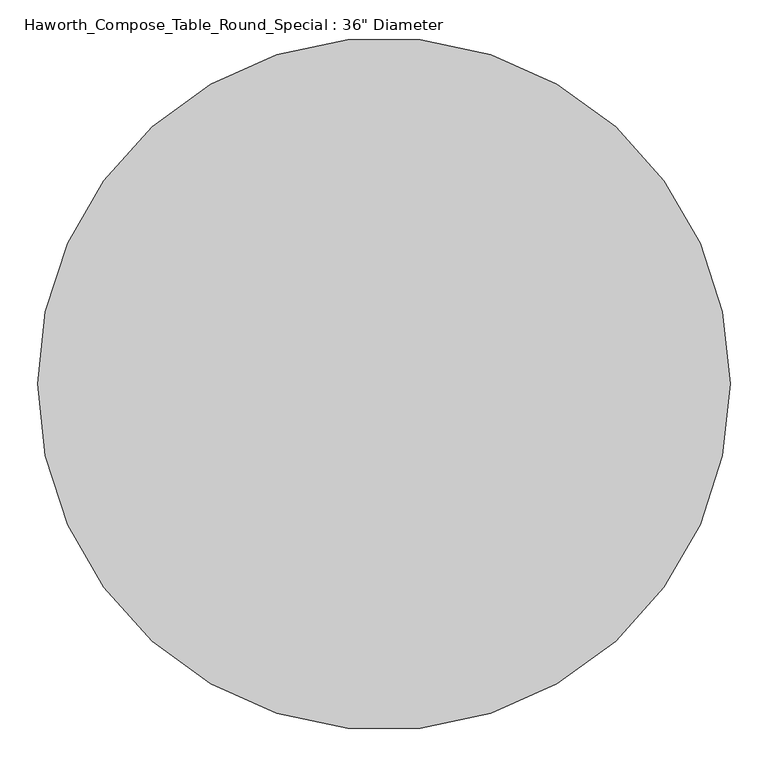
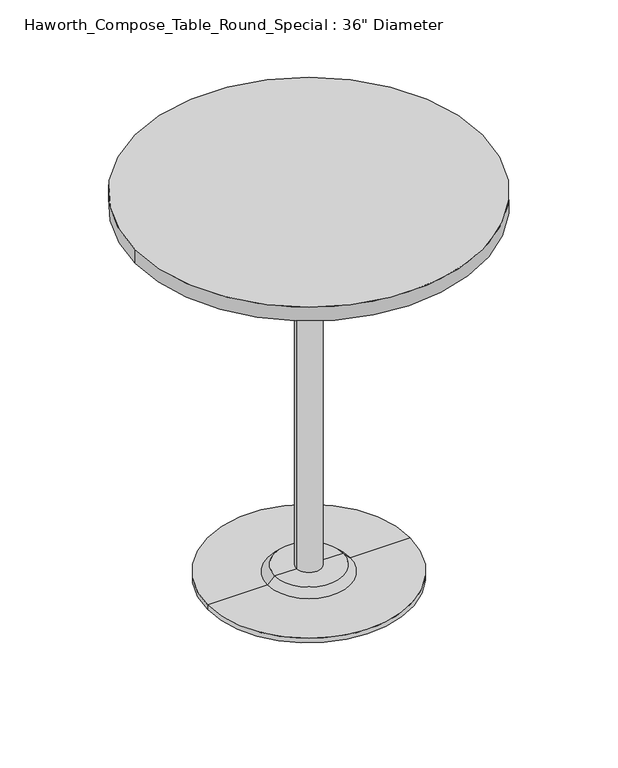
"""IFC4 building model written with IfcOpenShell, lengths in millimetres: furniture geometry."""

from ifc_helpers import new_model, si_unit, point, frame, frame_2d, origin, place, context, project, spatial, polyline, circle_curve, trimmed, segment, composite_curve, outline, extrude, source, transform, mapped, element, save
from ifc_brep_helpers import plane_surface, cylinder_surface, revolved_surface, advanced_brep


def furniture_54aee457(model_context):
    return source(origin(), model_context, "Body", "SolidModel", [
        advanced_brep(
        [(32.573978, 139.7, 1028.7), (-32.573978, 139.7, 1028.7), (0.0, 139.7, 1028.7), (32.573978, 139.7, 31.75), (-32.573978, 139.7, 31.75), (89.723978, 139.7, 31.75), (-89.723978, 139.7, 31.75), (266.7, 139.7, 0.0), (-266.7, 139.7, 0.0), (-266.7, 139.7, 12.7), (266.7, 139.7, 12.7), (0.0, 139.7, 0.0), (108.773978, 139.7, 12.7), (-108.773978, 139.7, 12.7)],
        [
            (0, 1, circle_curve(frame((0.0, 139.7, 1028.7), z_axis=(0.0, 0.0, 1.0), x_axis=(-1.0, 0.0, 0.0)), 32.573978)),
            (1, 2),
            (2, 0),
            (1, 0, circle_curve(frame((0.0, 139.7, 1028.7), z_axis=(0.0, 0.0, 1.0), x_axis=(-1.0, 0.0, 0.0)), 32.573978)),
            (3, 4, circle_curve(frame((0.0, 139.7, 31.75), z_axis=(0.0, 0.0, 1.0), x_axis=(-1.0, 0.0, 0.0)), 32.573978)),
            (4, 1),
            (0, 3),
            (4, 3, circle_curve(frame((0.0, 139.7, 31.75), z_axis=(0.0, 0.0, 1.0), x_axis=(-1.0, 0.0, 0.0)), 32.573978)),
            (5, 6, circle_curve(frame((0.0, 139.7, 31.75), z_axis=(0.0, 0.0, 1.0), x_axis=(-1.0, 0.0, 0.0)), 89.723978)),
            (6, 4),
            (3, 5),
            (6, 5, circle_curve(frame((0.0, 139.7, 31.75), z_axis=(0.0, 0.0, 1.0), x_axis=(-1.0, 0.0, 0.0)), 89.723978)),
            (7, 8, circle_curve(frame((0.0, 139.7, 0.0), z_axis=(0.0, 0.0, 1.0), x_axis=(-1.0, 0.0, 0.0)), 266.7)),
            (8, 9),
            (9, 10, circle_curve(frame((0.0, 139.7, 12.7), z_axis=(0.0, 0.0, -1.0), x_axis=(-1.0, 0.0, 0.0)), 266.7)),
            (10, 7),
            (8, 7, circle_curve(frame((0.0, 139.7, 0.0), z_axis=(0.0, 0.0, 1.0), x_axis=(-1.0, 0.0, 0.0)), 266.7)),
            (10, 9, circle_curve(frame((0.0, 139.7, 12.7), z_axis=(0.0, 0.0, -1.0), x_axis=(-1.0, 0.0, 0.0)), 266.7)),
            (11, 8),
            (7, 11),
            (12, 13, circle_curve(frame((0.0, 139.7, 12.7), z_axis=(0.0, 0.0, 1.0), x_axis=(-1.0, 0.0, 0.0)), 108.773978)),
            (13, 6),
            (5, 12),
            (13, 12, circle_curve(frame((0.0, 139.7, 12.7), z_axis=(0.0, 0.0, 1.0), x_axis=(-1.0, 0.0, 0.0)), 108.773978)),
            (9, 13),
            (12, 10),
        ],
        [
            plane_surface(frame((0.0, 139.7, 1028.7), z_axis=(0.0, 0.0, 1.0), x_axis=(-1.0, 0.0, 0.0))),
            cylinder_surface(frame((0.0, 139.7, 1211.885757), z_axis=(0.0, 0.0, -1.0), x_axis=(-1.0, 0.0, 0.0)), 32.573978),
            plane_surface(frame((0.0, 139.7, 31.75), z_axis=(0.0, 0.0, 1.0), x_axis=(-1.0, 0.0, 0.0))),
            cylinder_surface(frame((0.0, 139.7, 1211.885757), z_axis=(0.0, 0.0, -1.0), x_axis=(-1.0, 0.0, 0.0)), 266.7),
            plane_surface(frame((0.0, 139.7, 0.0), z_axis=(0.0, 0.0, -1.0), x_axis=(-1.0, 0.0, 0.0))),
            revolved_surface(polyline([(-89.723978, 139.7, 31.75), (-108.773978, 139.7, 12.7)]), (0.0, 139.7, 1211.885757), (0.0, 0.0, -1.0)),
            plane_surface(frame((0.0, 139.7, 12.7), z_axis=(0.0, 0.0, 1.0), x_axis=(-1.0, 0.0, 0.0))),
        ],
        [
            (0, [[1, 2, 3]]),
            (0, [[4, -3, -2]]),
            (1, [[5, 6, -1, 7]]),
            (1, [[8, -7, -4, -6]]),
            (2, [[9, 10, -5, 11]]),
            (2, [[12, -11, -8, -10]]),
            (3, [[13, 14, 15, 16]]),
            (3, [[17, -16, 18, -14]]),
            (4, [[19, -13, 20]]),
            (4, [[-20, -17, -19]]),
            (5, [[21, 22, -9, 23]]),
            (5, [[24, -23, -12, -22]]),
            (6, [[-15, 25, -21, 26]]),
            (6, [[-18, -26, -24, -25]]),
        ],
    ),
        extrude(outline(composite_curve([segment(trimmed(circle_curve(frame_2d((0.0, 139.7)), 457.2), [point((-457.2, 139.7))], [point((457.2, 139.7))], False, "CARTESIAN"), True, "CONTINUOUS"), segment(trimmed(circle_curve(frame_2d((0.0, 139.7)), 457.2), [point((457.2, 139.7))], [point((-457.2, 139.7))], False, "CARTESIAN"), True, "CONTINUOUS")], self_intersect=False)), frame((0.0, 0.0, 1028.7), z_axis=(0.0, 0.0, 1.0), x_axis=(1.0, 0.0, 0.0)), (0.0, 0.0, 1.0), 38.1),
    ])


if __name__ == "__main__":
    model = new_model("IFC4")
    model_context = context("Model", 3, world=origin())
    ifc_project = project(units=[si_unit("LENGTHUNIT", "METRE", prefix="MILLI")], contexts=[model_context])
    site = spatial("IfcSite", under=ifc_project)
    building = spatial("IfcBuilding", under=site)
    placement = place(None, origin())
    furniture_shape = furniture_54aee457(model_context)
    element("IfcFurniture", 1, ObjectType="Haworth_Compose_Table_Round_Special : 36\" Diameter", at=placement, inside=building, context=model_context, shape_type="MappedRepresentation", body=[
        mapped(furniture_shape, transform((0.0, 0.0, 0.0), x_axis=(1.0, 0.0, 0.0), y_axis=(0.0, 1.0, 0.0), z_axis=(0.0, 0.0, 1.0))),
    ])
    save(model, "model.ifc")
